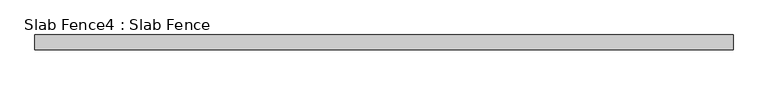
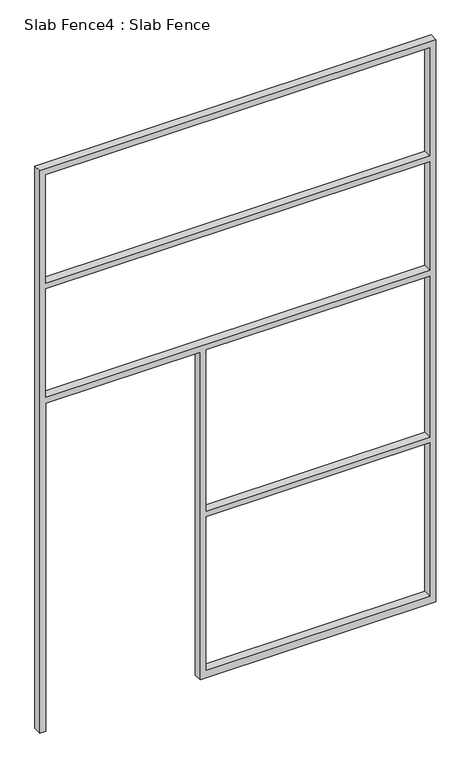
"""IFC4 building model written with IfcOpenShell, lengths in millimetres: proxy geometry, Slab Fence4 : Slab Fence."""

import ifcopenshell
import ifcopenshell.guid

model = None  # the IFC model being written
_history = None  # IfcOwnerHistory: only IFC2X3 demands one
_inside = {}  # id of a spatial element -> (the spatial element, [elements in it])
_under = {}  # id of a project, library or spatial element -> (it, [spatial elements below it])
_declared = {}  # id of a project -> (the project, [libraries it declares])
_typed = {}  # id of a type object -> (the type object, [elements of that type])
_made_of = {}  # id of a material, layer set ... -> (it, [elements and type objects made of it])


def new_model(schema):
    """Start an empty IFC model of exactly this schema.

    Asked for "IFC4X3", IfcOpenShell would pick the latest addendum, in which some entities
    have other attributes; the version numbers below select the first issue.
    IFC2X3 requires an IfcOwnerHistory on every rooted entity: one is made here for all.
    """
    global model, _history
    if schema == "IFC4X3":
        model = ifcopenshell.file(schema_version=(4, 3, 0, 0))
    else:
        model = ifcopenshell.file(schema=schema)
    _inside.clear()
    _under.clear()
    _declared.clear()
    _typed.clear()
    _made_of.clear()
    _history = None
    if model.schema == "IFC2X3":
        org = make("IfcOrganization", Name="unknown")
        user = make(
            "IfcPersonAndOrganization",
            ThePerson=make("IfcPerson", FamilyName="unknown"),
            TheOrganization=org,
        )
        app = make(
            "IfcApplication",
            ApplicationDeveloper=org,
            Version="unknown",
            ApplicationFullName="unknown",
            ApplicationIdentifier="unknown",
        )
        _history = make(
            "IfcOwnerHistory",
            OwningUser=user,
            OwningApplication=app,
            ChangeAction="ADDED",
            CreationDate=0,
        )
    return model


def make(cls, **values):
    """One entity of the class cls with the attributes given. An attribute that is None is left unset."""
    return model.create_entity(
        cls, **{name: value for name, value in values.items() if value is not None}
    )


def rooted(cls, **values):
    """An entity with a GlobalId (a new one), such as an element, a storey or a relation."""
    return make(cls, GlobalId=ifcopenshell.guid.new(), OwnerHistory=_history, **values)


def si_unit(unit_type, name, prefix=None):
    """IfcSIUnit, for example si_unit("LENGTHUNIT", "METRE", prefix="MILLI")."""
    return make("IfcSIUnit", UnitType=unit_type, Prefix=prefix, Name=name)


def assignment(units):
    """IfcUnitAssignment: the units of a project."""
    return None if units is None else make("IfcUnitAssignment", Units=units)


def point(xyz):
    """IfcCartesianPoint."""
    return None if xyz is None else make("IfcCartesianPoint", Coordinates=xyz)


def direction(xyz):
    """IfcDirection."""
    return None if xyz is None else make("IfcDirection", DirectionRatios=xyz)


def frame(location, z_axis=None, x_axis=None):
    """IfcAxis2Placement3D, a coordinate frame: its origin and axes. An axis left out is left unset."""
    return make(
        "IfcAxis2Placement3D",
        Location=point(location),
        Axis=direction(z_axis),
        RefDirection=direction(x_axis),
    )


def origin():
    """The frame at (0, 0, 0) with its axes left unset."""
    return frame((0.0, 0.0, 0.0))


def place(relative_to, where):
    """IfcLocalPlacement: puts the frame where relative to a parent placement (None: the world)."""
    return make(
        "IfcLocalPlacement", PlacementRelTo=relative_to, RelativePlacement=where
    )


def context(
    kind, dimensions, precision=None, world=None, true_north=None, identifier=None
):
    """IfcGeometricRepresentationContext, for example the 3D "Model" context."""
    return make(
        "IfcGeometricRepresentationContext",
        ContextIdentifier=identifier,
        ContextType=kind,
        CoordinateSpaceDimension=dimensions,
        Precision=precision,
        WorldCoordinateSystem=world,
        TrueNorth=true_north,
    )


def project(units=None, contexts=None):
    """IfcProject with its units and contexts."""
    return rooted(
        "IfcProject",
        Name="project",
        RepresentationContexts=contexts,
        UnitsInContext=assignment(units),
    )


def spatial(cls, under=None, at=None, **own):
    """A site, building, storey or space (cls), placed at a placement, below another one or the project."""
    s = rooted(cls, ObjectPlacement=at, **own)
    if under is not None:
        _under.setdefault(under.id(), (under, []))[1].append(s)
    return s


def polyline(points):
    """IfcPolyline through the points."""
    return make("IfcPolyline", Points=[point(p) for p in points])


def outline(outer, holes=None, kind="AREA"):
    """IfcArbitraryClosedProfileDef: a profile drawn as a closed curve; with holes, ...WithVoids."""
    if holes is None:
        return make("IfcArbitraryClosedProfileDef", ProfileType=kind, OuterCurve=outer)
    return make(
        "IfcArbitraryProfileDefWithVoids",
        ProfileType=kind,
        OuterCurve=outer,
        InnerCurves=holes,
    )


def extrude(swept, where, along, depth):
    """IfcExtrudedAreaSolid: the profile swept, set in the frame where, extruded along a direction by depth."""
    return make(
        "IfcExtrudedAreaSolid",
        SweptArea=swept,
        Position=where,
        ExtrudedDirection=direction(along),
        Depth=depth,
    )


def shape(context_of_items, identifier, shape_type, items):
    """IfcShapeRepresentation: the items that make up one representation, for example the "Body"."""
    return make(
        "IfcShapeRepresentation",
        ContextOfItems=context_of_items,
        RepresentationIdentifier=identifier,
        RepresentationType=shape_type,
        Items=items,
    )


def source(mapping_origin, context_of_items, identifier, shape_type, items):
    """IfcRepresentationMap: a shape defined once, which mapped items show again and again."""
    return make(
        "IfcRepresentationMap",
        MappingOrigin=mapping_origin,
        MappedRepresentation=shape(context_of_items, identifier, shape_type, items),
    )


def transform(
    local_origin,
    x_axis=None,
    y_axis=None,
    z_axis=None,
    scale=None,
    scale2=None,
    scale3=None,
    uniform=True,
):
    """IfcCartesianTransformationOperator3D, or its non-uniform kind. x_axis, y_axis, z_axis: its Axis1, 2, 3."""
    if uniform:
        return make(
            "IfcCartesianTransformationOperator3D",
            Axis1=direction(x_axis),
            Axis2=direction(y_axis),
            LocalOrigin=point(local_origin),
            Scale=scale,
            Axis3=direction(z_axis),
        )
    return make(
        "IfcCartesianTransformationOperator3DnonUniform",
        Axis1=direction(x_axis),
        Axis2=direction(y_axis),
        LocalOrigin=point(local_origin),
        Scale=scale,
        Axis3=direction(z_axis),
        Scale2=scale2,
        Scale3=scale3,
    )


def mapped(mapping_source, mapping_target):
    """IfcMappedItem: shows the shape of a source again, moved by a transform."""
    return make(
        "IfcMappedItem", MappingSource=mapping_source, MappingTarget=mapping_target
    )


def made_of(thing, what):
    """Note that an element or type object is made of a material, layer set ...; save() writes the relation."""
    if what is not None:
        _made_of.setdefault(what.id(), (what, []))[1].append(thing)
    return thing


def element(
    cls,
    number,
    at=None,
    inside=None,
    cuts=None,
    type_object=None,
    material=None,
    context=None,
    identifier="Body",
    shape_type=None,
    held_by="IfcProductDefinitionShape",
    body=None,
    shapes=None,
    **own,
):
    """One element of the class cls, such as IfcWall. Its Tag is "e" and its number.

    at: its placement. inside: the storey or other place that contains it. cuts: it is an
    opening in that element (IfcRelVoidsElement). A single representation is given by context,
    identifier, shape_type and body (its items); several are given by shapes. held_by: the class
    of the entity that holds the representations. save() writes the other relations.
    """
    e = rooted(cls, Tag="e%d" % number, ObjectPlacement=at, **own)
    if body is not None:
        shapes = [shape(context, identifier, shape_type, body)]
    if shapes is not None:
        e.Representation = make(held_by, Representations=shapes)
    if inside is not None:
        _inside.setdefault(inside.id(), (inside, []))[1].append(e)
    if cuts is not None:
        rooted(
            "IfcRelVoidsElement", RelatingBuildingElement=cuts, RelatedOpeningElement=e
        )
    if type_object is not None:
        _typed.setdefault(type_object.id(), (type_object, []))[1].append(e)
    return made_of(e, material)


def aggregate(whole, parts):
    """IfcRelAggregates: a whole, such as a stair, and the parts it consists of."""
    return rooted("IfcRelAggregates", RelatingObject=whole, RelatedObjects=parts)


def save(model, path):
    """Write the relations noted so far, then the file.

    IfcRelAggregates (storeys below a building ...), IfcRelContainedInSpatialStructure (elements
    in a storey), IfcRelDefinesByType, IfcRelAssociatesMaterial and IfcRelDeclares: one each for
    every whole, place, type object, material and project.
    """
    for whole, parts in _under.values():
        aggregate(whole, parts)
    for where, things in _inside.values():
        rooted(
            "IfcRelContainedInSpatialStructure",
            RelatedElements=things,
            RelatingStructure=where,
        )
    for kind, things in _typed.values():
        rooted("IfcRelDefinesByType", RelatedObjects=things, RelatingType=kind)
    for what, things in _made_of.values():
        rooted("IfcRelAssociatesMaterial", RelatedObjects=things, RelatingMaterial=what)
    for by, libraries in _declared.values():
        rooted("IfcRelDeclares", RelatingContext=by, RelatedDefinitions=libraries)
    model.write(path)


def slab_fence4_slab_fence_6103503a(model_context):
    return source(origin(), model_context, "Body", "SweptSolid", [
        extrude(outline(polyline([(3657.6, -5619.7598205), (0.0, -5619.7598205), (0.0, -5581.6598205), (2133.6, -5581.6598205), (2133.6, -4632.3348205), (0.0, -4632.3348205), (0.0, -4594.2348205), (0.0, -3181.3598205), (3657.6, -3181.3598205), (3657.6, -5619.7598205)]), holes=[polyline([(2876.55, -5581.6598205), (2876.55, -3219.4598205), (2171.7, -3219.4598205), (2171.7, -5581.6598205), (2876.55, -5581.6598205)]), polyline([(3619.5, -3219.4598205), (2914.65, -3219.4598205), (2914.65, -5581.6598205), (3619.5, -5581.6598205), (3619.5, -3219.4598205)]), polyline([(1085.85, -4594.2348205), (2133.6, -4594.2348205), (2133.6, -3219.4598205), (1085.85, -3219.4598205), (1085.85, -4594.2348205)]), polyline([(1047.75, -3219.4598205), (50.8, -3219.4598205), (50.8, -4594.2348205), (1047.75, -4594.2348205), (1047.75, -3219.4598205)])]), frame((0.0, 21787.866085, 0.0), z_axis=(0.0, 1.0, 0.0), x_axis=(0.0, 0.0, 1.0)), (0.0, 0.0, 1.0), 52.001598),
    ])


if __name__ == "__main__":
    model = new_model("IFC4")
    model_context = context("Model", 3, world=origin())
    ifc_project = project(units=[si_unit("LENGTHUNIT", "METRE", prefix="MILLI")], contexts=[model_context])
    site = spatial("IfcSite", under=ifc_project)
    building = spatial("IfcBuilding", under=site)
    placement = place(None, origin())
    slab_fence4_slab_fence_shape = slab_fence4_slab_fence_6103503a(model_context)
    element("IfcBuildingElementProxy", 1, Name="Slab Fence4 : Slab Fence", ObjectType="Slab Fence4 : Slab Fence", at=placement, inside=building, context=model_context, shape_type="MappedRepresentation", body=[
        mapped(slab_fence4_slab_fence_shape, transform((0.0, 0.0, 0.0), x_axis=(1.0, 0.0, 0.0), y_axis=(0.0, 1.0, 0.0), z_axis=(0.0, 0.0, 1.0))),
    ])
    save(model, "model.ifc")
